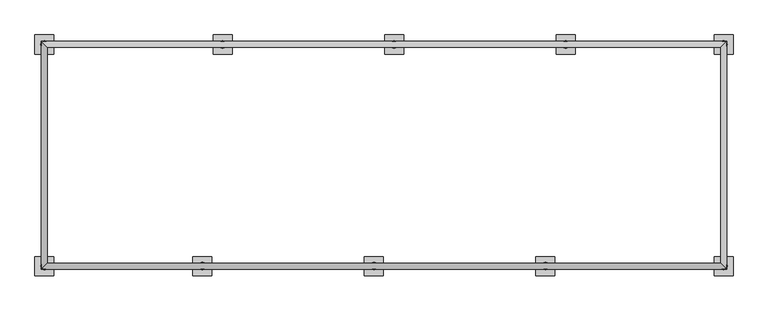
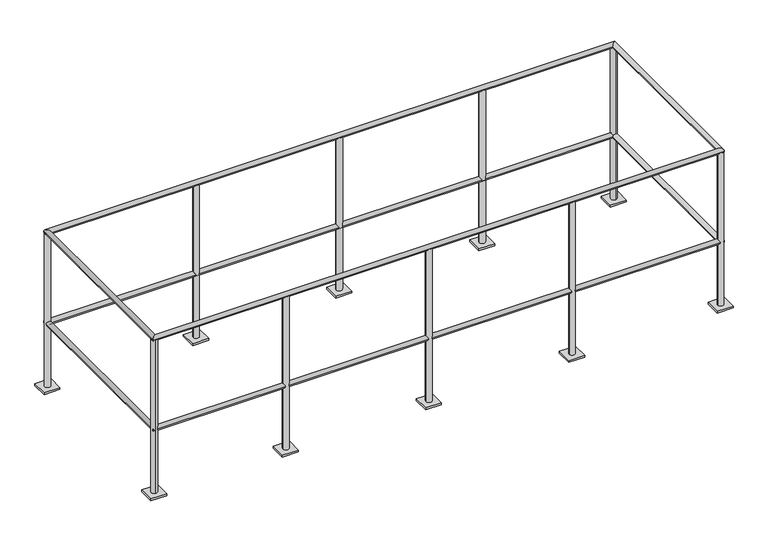
"""IFC4 building model written with IfcOpenShell, lengths in millimetres: railing geometry."""

from ifc_helpers import new_model, si_unit, point, frame, frame_2d, origin, origin_with_axes, place, context, project, spatial, polyline, circle_curve, ellipse_curve, trimmed, segment, composite_curve, outline, extrude, source, transform, mapped, element, save
from ifc_brep_helpers import cylinder_surface, advanced_brep


def railing_a2478803(model_context):
    return source(origin(), model_context, "Body", "SolidModel", [
        advanced_brep(
        [(-18743.3458618, -13652.4776485, 1050.925), (-18775.0958618, -13684.2276485, 1050.925), (-15123.8458618, -13684.2276485, 1050.925), (-15155.5958618, -13652.4776485, 1050.925), (-15123.8458618, -12471.3776485, 1050.925), (-15155.5958618, -12503.1276485, 1050.925), (-18775.0958618, -12471.3776485, 1050.925), (-18743.3458618, -12503.1276485, 1050.925)],
        [
            (0, 1, ellipse_curve(frame((-18759.2208618, -13668.3526485, 1050.925), z_axis=(0.7071067811865465, -0.7071067811865487, 0.0), x_axis=(-0.7071067811865485, -0.7071067811865466, 0.0)), 22.4506403, 15.875)),
            (1, 2),
            (2, 3, ellipse_curve(frame((-15139.7208618, -13668.3526485, 1050.925), z_axis=(-0.7071067811865486, -0.7071067811865464, 0.0), x_axis=(-0.7071067811865466, 0.7071067811865485, 0.0)), 22.4506403, 15.875)),
            (3, 0),
            (1, 0, ellipse_curve(frame((-18759.2208618, -13668.3526485, 1050.925), z_axis=(0.7071067811865465, -0.7071067811865487, 0.0), x_axis=(-0.7071067811865485, -0.7071067811865466, 0.0)), 22.4506403, 15.875)),
            (3, 2, ellipse_curve(frame((-15139.7208618, -13668.3526485, 1050.925), z_axis=(-0.7071067811865486, -0.7071067811865464, 0.0), x_axis=(-0.7071067811865466, 0.7071067811865485, 0.0)), 22.4506403, 15.875)),
            (2, 4),
            (4, 5, ellipse_curve(frame((-15139.7208618, -12487.2526485, 1050.925), z_axis=(0.7071067811865475, -0.7071067811865475, 0.0), x_axis=(-0.7071067811865474, -0.7071067811865476, 0.0)), 22.4506403, 15.875)),
            (5, 3),
            (5, 4, ellipse_curve(frame((-15139.7208618, -12487.2526485, 1050.925), z_axis=(0.7071067811865475, -0.7071067811865475, 0.0), x_axis=(-0.7071067811865474, -0.7071067811865476, 0.0)), 22.4506403, 15.875)),
            (4, 6),
            (6, 7, ellipse_curve(frame((-18759.2208618, -12487.2526485, 1050.925), z_axis=(0.7071067811865475, 0.7071067811865475, 0.0), x_axis=(0.7071067811865476, -0.7071067811865474, 0.0)), 22.4506403, 15.875)),
            (7, 5),
            (7, 6, ellipse_curve(frame((-18759.2208618, -12487.2526485, 1050.925), z_axis=(0.7071067811865475, 0.7071067811865475, 0.0), x_axis=(0.7071067811865476, -0.7071067811865474, 0.0)), 22.4506403, 15.875)),
            (6, 1),
            (0, 7),
        ],
        [
            cylinder_surface(frame((-18759.2208618, -13668.3526485, 1050.925), z_axis=(-1.0, 0.0, 0.0), x_axis=(0.0, 1.0, 0.0)), 15.875),
            cylinder_surface(frame((-15139.7208618, -13668.3526485, 1050.925), z_axis=(0.0, -1.0, 0.0), x_axis=(-1.0, 0.0, 0.0)), 15.875),
            cylinder_surface(frame((-15139.7208618, -12487.2526485, 1050.925), z_axis=(1.0, 0.0, 0.0), x_axis=(0.0, -1.0, 0.0)), 15.875),
            cylinder_surface(frame((-18759.2208618, -12487.2526485, 1050.925), z_axis=(0.0, 1.0, 0.0), x_axis=(1.0, 0.0, 0.0)), 15.875),
        ],
        [
            (0, [[1, 2, 3, 4]]),
            (0, [[5, -4, 6, -2]]),
            (1, [[-3, 7, 8, 9]]),
            (1, [[-6, -9, 10, -7]]),
            (2, [[-8, 11, 12, 13]]),
            (2, [[-10, -13, 14, -11]]),
            (3, [[-12, 15, -1, 16]]),
            (3, [[-14, -16, -5, -15]]),
        ],
    ),
        advanced_brep(
        [(-15155.5958618, -13652.4776485, 441.325), (-15123.8458618, -13684.2276485, 441.325), (-15123.8458618, -12471.3776485, 441.325), (-15155.5958618, -12503.1276485, 441.325), (-18775.0958618, -12471.3776485, 441.325), (-18743.3458618, -12503.1276485, 441.325), (-18775.0958618, -13684.2276485, 441.325), (-18743.3458618, -13652.4776485, 441.325)],
        [
            (0, 1, ellipse_curve(frame((-15139.7208618, -13668.3526485, 441.325), z_axis=(0.7071067811865486, 0.7071067811865464, 0.0), x_axis=(0.7071067811865464, -0.7071067811865488, 0.0)), 22.4506403, 15.875)),
            (1, 2),
            (2, 3, ellipse_curve(frame((-15139.7208618, -12487.2526485, 441.325), z_axis=(0.7071067811865475, -0.7071067811865475, 0.0), x_axis=(-0.7071067811865474, -0.7071067811865476, 0.0)), 22.4506403, 15.875)),
            (3, 0),
            (1, 0, ellipse_curve(frame((-15139.7208618, -13668.3526485, 441.325), z_axis=(0.7071067811865486, 0.7071067811865464, 0.0), x_axis=(0.7071067811865464, -0.7071067811865488, 0.0)), 22.4506403, 15.875)),
            (3, 2, ellipse_curve(frame((-15139.7208618, -12487.2526485, 441.325), z_axis=(0.7071067811865475, -0.7071067811865475, 0.0), x_axis=(-0.7071067811865474, -0.7071067811865476, 0.0)), 22.4506403, 15.875)),
            (2, 4),
            (4, 5, ellipse_curve(frame((-18759.2208618, -12487.2526485, 441.325), z_axis=(0.7071067811865475, 0.7071067811865475, 0.0), x_axis=(0.7071067811865476, -0.7071067811865474, 0.0)), 22.4506403, 15.875)),
            (5, 3),
            (5, 4, ellipse_curve(frame((-18759.2208618, -12487.2526485, 441.325), z_axis=(0.7071067811865475, 0.7071067811865475, 0.0), x_axis=(0.7071067811865476, -0.7071067811865474, 0.0)), 22.4506403, 15.875)),
            (4, 6),
            (6, 7, ellipse_curve(frame((-18759.2208618, -13668.3526485, 441.325), z_axis=(-0.7071067811865465, 0.7071067811865487, 0.0), x_axis=(0.7071067811865487, 0.7071067811865462, 0.0)), 22.4506403, 15.875)),
            (7, 5),
            (7, 6, ellipse_curve(frame((-18759.2208618, -13668.3526485, 441.325), z_axis=(-0.7071067811865465, 0.7071067811865487, 0.0), x_axis=(0.7071067811865487, 0.7071067811865462, 0.0)), 22.4506403, 15.875)),
            (6, 1),
            (0, 7),
        ],
        [
            cylinder_surface(frame((-15139.7208618, -13668.3526485, 441.325), z_axis=(0.0, -1.0, 0.0), x_axis=(-1.0, 0.0, 0.0)), 15.875),
            cylinder_surface(frame((-15139.7208618, -12487.2526485, 441.325), z_axis=(1.0, 0.0, 0.0), x_axis=(0.0, -1.0, 0.0)), 15.875),
            cylinder_surface(frame((-18759.2208618, -12487.2526485, 441.325), z_axis=(0.0, 1.0, 0.0), x_axis=(1.0, 0.0, 0.0)), 15.875),
            cylinder_surface(frame((-18759.2208618, -13668.3526485, 441.325), z_axis=(-1.0, 0.0, 0.0), x_axis=(0.0, 1.0, 0.0)), 15.875),
        ],
        [
            (0, [[1, 2, 3, 4]]),
            (0, [[5, -4, 6, -2]]),
            (1, [[-3, 7, 8, 9]]),
            (1, [[-6, -9, 10, -7]]),
            (2, [[-8, 11, 12, 13]]),
            (2, [[-10, -13, 14, -11]]),
            (3, [[-12, 15, -1, 16]]),
            (3, [[-14, -16, -5, -15]]),
        ],
    ),
        extrude(outline(composite_curve([segment(trimmed(circle_curve(frame_2d((-16089.0105971, -13668.3526485)), 19.05), [point((-16108.0605971, -13668.3526485))], [point((-16069.9605971, -13668.3526485))], False, "CARTESIAN"), True, "CONTINUOUS"), segment(trimmed(circle_curve(frame_2d((-16089.0105971, -13668.3526485)), 19.05), [point((-16069.9605971, -13668.3526485))], [point((-16108.0605971, -13668.3526485))], False, "CARTESIAN"), True, "CONTINUOUS")], self_intersect=False), holes=[composite_curve([segment(trimmed(circle_curve(frame_2d((-16089.0105971, -13668.3526485)), 14.2875), [point((-16103.2980971, -13668.3526485))], [point((-16074.7230971, -13668.3526485))], True, "CARTESIAN"), True, "CONTINUOUS"), segment(trimmed(circle_curve(frame_2d((-16089.0105971, -13668.3526485)), 14.2875), [point((-16074.7230971, -13668.3526485))], [point((-16103.2980971, -13668.3526485))], True, "CARTESIAN"), True, "CONTINUOUS")], self_intersect=False)]), frame((0.0, 0.0, 12.7), z_axis=(0.0, 0.0, 1.0), x_axis=(1.0, 0.0, 0.0)), (0.0, 0.0, 1.0), 1035.05),
        extrude(outline(polyline([(-16038.2105971, -13617.5526485), (-16038.2105971, -13719.1526485), (-16139.8105971, -13719.1526485), (-16139.8105971, -13617.5526485), (-16038.2105971, -13617.5526485)])), origin_with_axes(), (0.0, 0.0, 1.0), 12.7),
        extrude(outline(composite_curve([segment(trimmed(circle_curve(frame_2d((-17003.4105971, -13668.3526485)), 19.05), [point((-17022.4605971, -13668.3526485))], [point((-16984.3605971, -13668.3526485))], False, "CARTESIAN"), True, "CONTINUOUS"), segment(trimmed(circle_curve(frame_2d((-17003.4105971, -13668.3526485)), 19.05), [point((-16984.3605971, -13668.3526485))], [point((-17022.4605971, -13668.3526485))], False, "CARTESIAN"), True, "CONTINUOUS")], self_intersect=False), holes=[composite_curve([segment(trimmed(circle_curve(frame_2d((-17003.4105971, -13668.3526485)), 14.2875), [point((-17017.6980971, -13668.3526485))], [point((-16989.1230971, -13668.3526485))], True, "CARTESIAN"), True, "CONTINUOUS"), segment(trimmed(circle_curve(frame_2d((-17003.4105971, -13668.3526485)), 14.2875), [point((-16989.1230971, -13668.3526485))], [point((-17017.6980971, -13668.3526485))], True, "CARTESIAN"), True, "CONTINUOUS")], self_intersect=False)]), frame((0.0, 0.0, 12.7), z_axis=(0.0, 0.0, 1.0), x_axis=(1.0, 0.0, 0.0)), (0.0, 0.0, 1.0), 1035.05),
        extrude(outline(polyline([(-16952.6105971, -13617.5526485), (-16952.6105971, -13719.1526485), (-17054.2105971, -13719.1526485), (-17054.2105971, -13617.5526485), (-16952.6105971, -13617.5526485)])), origin_with_axes(), (0.0, 0.0, 1.0), 12.7),
        extrude(outline(composite_curve([segment(trimmed(circle_curve(frame_2d((-17917.8105971, -13668.3526485)), 19.05), [point((-17936.8605971, -13668.3526485))], [point((-17898.7605971, -13668.3526485))], False, "CARTESIAN"), True, "CONTINUOUS"), segment(trimmed(circle_curve(frame_2d((-17917.8105971, -13668.3526485)), 19.05), [point((-17898.7605971, -13668.3526485))], [point((-17936.8605971, -13668.3526485))], False, "CARTESIAN"), True, "CONTINUOUS")], self_intersect=False), holes=[composite_curve([segment(trimmed(circle_curve(frame_2d((-17917.8105971, -13668.3526485)), 14.2875), [point((-17932.0980971, -13668.3526485))], [point((-17903.5230971, -13668.3526485))], True, "CARTESIAN"), True, "CONTINUOUS"), segment(trimmed(circle_curve(frame_2d((-17917.8105971, -13668.3526485)), 14.2875), [point((-17903.5230971, -13668.3526485))], [point((-17932.0980971, -13668.3526485))], True, "CARTESIAN"), True, "CONTINUOUS")], self_intersect=False)]), frame((0.0, 0.0, 12.7), z_axis=(0.0, 0.0, 1.0), x_axis=(1.0, 0.0, 0.0)), (0.0, 0.0, 1.0), 1035.05),
        extrude(outline(polyline([(-17867.0105971, -13617.5526485), (-17867.0105971, -13719.1526485), (-17968.6105971, -13719.1526485), (-17968.6105971, -13617.5526485), (-17867.0105971, -13617.5526485)])), origin_with_axes(), (0.0, 0.0, 1.0), 12.7),
        extrude(outline(composite_curve([segment(trimmed(circle_curve(frame_2d((-17809.9311266, -12487.2526485)), 19.05), [point((-17790.8811266, -12487.2526485))], [point((-17828.9811266, -12487.2526485))], False, "CARTESIAN"), True, "CONTINUOUS"), segment(trimmed(circle_curve(frame_2d((-17809.9311266, -12487.2526485)), 19.05), [point((-17828.9811266, -12487.2526485))], [point((-17790.8811266, -12487.2526485))], False, "CARTESIAN"), True, "CONTINUOUS")], self_intersect=False), holes=[composite_curve([segment(trimmed(circle_curve(frame_2d((-17809.9311266, -12487.2526485)), 14.2875), [point((-17795.6436266, -12487.2526485))], [point((-17824.2186266, -12487.2526485))], True, "CARTESIAN"), True, "CONTINUOUS"), segment(trimmed(circle_curve(frame_2d((-17809.9311266, -12487.2526485)), 14.2875), [point((-17824.2186266, -12487.2526485))], [point((-17795.6436266, -12487.2526485))], True, "CARTESIAN"), True, "CONTINUOUS")], self_intersect=False)]), frame((0.0, 0.0, 12.7), z_axis=(0.0, 0.0, 1.0), x_axis=(1.0, 0.0, 0.0)), (0.0, 0.0, 1.0), 1035.05),
        extrude(outline(polyline([(-17860.7311266, -12538.0526485), (-17860.7311266, -12436.4526485), (-17759.1311266, -12436.4526485), (-17759.1311266, -12538.0526485), (-17860.7311266, -12538.0526485)])), origin_with_axes(), (0.0, 0.0, 1.0), 12.7),
        extrude(outline(composite_curve([segment(trimmed(circle_curve(frame_2d((-16895.5311266, -12487.2526485)), 19.05), [point((-16876.4811266, -12487.2526485))], [point((-16914.5811266, -12487.2526485))], False, "CARTESIAN"), True, "CONTINUOUS"), segment(trimmed(circle_curve(frame_2d((-16895.5311266, -12487.2526485)), 19.05), [point((-16914.5811266, -12487.2526485))], [point((-16876.4811266, -12487.2526485))], False, "CARTESIAN"), True, "CONTINUOUS")], self_intersect=False), holes=[composite_curve([segment(trimmed(circle_curve(frame_2d((-16895.5311266, -12487.2526485)), 14.2875), [point((-16881.2436266, -12487.2526485))], [point((-16909.8186266, -12487.2526485))], True, "CARTESIAN"), True, "CONTINUOUS"), segment(trimmed(circle_curve(frame_2d((-16895.5311266, -12487.2526485)), 14.2875), [point((-16909.8186266, -12487.2526485))], [point((-16881.2436266, -12487.2526485))], True, "CARTESIAN"), True, "CONTINUOUS")], self_intersect=False)]), frame((0.0, 0.0, 12.7), z_axis=(0.0, 0.0, 1.0), x_axis=(1.0, 0.0, 0.0)), (0.0, 0.0, 1.0), 1035.05),
        extrude(outline(polyline([(-16946.3311266, -12538.0526485), (-16946.3311266, -12436.4526485), (-16844.7311266, -12436.4526485), (-16844.7311266, -12538.0526485), (-16946.3311266, -12538.0526485)])), origin_with_axes(), (0.0, 0.0, 1.0), 12.7),
        extrude(outline(composite_curve([segment(trimmed(circle_curve(frame_2d((-15981.1311266, -12487.2526485)), 19.05), [point((-15962.0811266, -12487.2526485))], [point((-16000.1811266, -12487.2526485))], False, "CARTESIAN"), True, "CONTINUOUS"), segment(trimmed(circle_curve(frame_2d((-15981.1311266, -12487.2526485)), 19.05), [point((-16000.1811266, -12487.2526485))], [point((-15962.0811266, -12487.2526485))], False, "CARTESIAN"), True, "CONTINUOUS")], self_intersect=False), holes=[composite_curve([segment(trimmed(circle_curve(frame_2d((-15981.1311266, -12487.2526485)), 14.2875), [point((-15966.8436266, -12487.2526485))], [point((-15995.4186266, -12487.2526485))], True, "CARTESIAN"), True, "CONTINUOUS"), segment(trimmed(circle_curve(frame_2d((-15981.1311266, -12487.2526485)), 14.2875), [point((-15995.4186266, -12487.2526485))], [point((-15966.8436266, -12487.2526485))], True, "CARTESIAN"), True, "CONTINUOUS")], self_intersect=False)]), frame((0.0, 0.0, 12.7), z_axis=(0.0, 0.0, 1.0), x_axis=(1.0, 0.0, 0.0)), (0.0, 0.0, 1.0), 1035.05),
        extrude(outline(polyline([(-16031.9311266, -12538.0526485), (-16031.9311266, -12436.4526485), (-15930.3311266, -12436.4526485), (-15930.3311266, -12538.0526485), (-16031.9311266, -12538.0526485)])), origin_with_axes(), (0.0, 0.0, 1.0), 12.7),
        extrude(outline(composite_curve([segment(trimmed(circle_curve(frame_2d((-15139.6855971, -13668.3526485)), 19.05), [point((-15158.7355971, -13668.3526485))], [point((-15120.6355971, -13668.3526485))], False, "CARTESIAN"), True, "CONTINUOUS"), segment(trimmed(circle_curve(frame_2d((-15139.6855971, -13668.3526485)), 19.05), [point((-15120.6355971, -13668.3526485))], [point((-15158.7355971, -13668.3526485))], False, "CARTESIAN"), True, "CONTINUOUS")], self_intersect=False), holes=[composite_curve([segment(trimmed(circle_curve(frame_2d((-15139.6855971, -13668.3526485)), 14.2875), [point((-15153.9730971, -13668.3526485))], [point((-15125.3980971, -13668.3526485))], True, "CARTESIAN"), True, "CONTINUOUS"), segment(trimmed(circle_curve(frame_2d((-15139.6855971, -13668.3526485)), 14.2875), [point((-15125.3980971, -13668.3526485))], [point((-15153.9730971, -13668.3526485))], True, "CARTESIAN"), True, "CONTINUOUS")], self_intersect=False)]), frame((0.0, 0.0, 12.7), z_axis=(0.0, 0.0, 1.0), x_axis=(1.0, 0.0, 0.0)), (0.0, 0.0, 1.0), 1035.05),
        extrude(outline(polyline([(-15088.8855971, -13617.5526485), (-15088.8855971, -13719.1526485), (-15190.4855971, -13719.1526485), (-15190.4855971, -13617.5526485), (-15088.8855971, -13617.5526485)])), origin_with_axes(), (0.0, 0.0, 1.0), 12.7),
        extrude(outline(composite_curve([segment(trimmed(circle_curve(frame_2d((-18759.2208618, -13668.3879132)), 19.05), [point((-18759.2208618, -13649.3379132))], [point((-18759.2208618, -13687.4379132))], False, "CARTESIAN"), True, "CONTINUOUS"), segment(trimmed(circle_curve(frame_2d((-18759.2208618, -13668.3879132)), 19.05), [point((-18759.2208618, -13687.4379132))], [point((-18759.2208618, -13649.3379132))], False, "CARTESIAN"), True, "CONTINUOUS")], self_intersect=False), holes=[composite_curve([segment(trimmed(circle_curve(frame_2d((-18759.2208618, -13668.3879132)), 14.2875), [point((-18759.2208618, -13654.1004132))], [point((-18759.2208618, -13682.6754132))], True, "CARTESIAN"), True, "CONTINUOUS"), segment(trimmed(circle_curve(frame_2d((-18759.2208618, -13668.3879132)), 14.2875), [point((-18759.2208618, -13682.6754132))], [point((-18759.2208618, -13654.1004132))], True, "CARTESIAN"), True, "CONTINUOUS")], self_intersect=False)]), frame((0.0, 0.0, 12.7), z_axis=(0.0, 0.0, 1.0), x_axis=(1.0, 0.0, 0.0)), (0.0, 0.0, 1.0), 1035.05),
        extrude(outline(polyline([(-18708.4208618, -13719.1879132), (-18810.0208618, -13719.1879132), (-18810.0208618, -13617.5879132), (-18708.4208618, -13617.5879132), (-18708.4208618, -13719.1879132)])), origin_with_axes(), (0.0, 0.0, 1.0), 12.7),
        extrude(outline(composite_curve([segment(trimmed(circle_curve(frame_2d((-18759.2561266, -12487.2526485)), 19.05), [point((-18740.2061266, -12487.2526485))], [point((-18778.3061266, -12487.2526485))], False, "CARTESIAN"), True, "CONTINUOUS"), segment(trimmed(circle_curve(frame_2d((-18759.2561266, -12487.2526485)), 19.05), [point((-18778.3061266, -12487.2526485))], [point((-18740.2061266, -12487.2526485))], False, "CARTESIAN"), True, "CONTINUOUS")], self_intersect=False), holes=[composite_curve([segment(trimmed(circle_curve(frame_2d((-18759.2561266, -12487.2526485)), 14.2875), [point((-18744.9686266, -12487.2526485))], [point((-18773.5436266, -12487.2526485))], True, "CARTESIAN"), True, "CONTINUOUS"), segment(trimmed(circle_curve(frame_2d((-18759.2561266, -12487.2526485)), 14.2875), [point((-18773.5436266, -12487.2526485))], [point((-18744.9686266, -12487.2526485))], True, "CARTESIAN"), True, "CONTINUOUS")], self_intersect=False)]), frame((0.0, 0.0, 12.7), z_axis=(0.0, 0.0, 1.0), x_axis=(1.0, 0.0, 0.0)), (0.0, 0.0, 1.0), 1035.05),
        extrude(outline(polyline([(-18810.0561266, -12538.0526485), (-18810.0561266, -12436.4526485), (-18708.4561266, -12436.4526485), (-18708.4561266, -12538.0526485), (-18810.0561266, -12538.0526485)])), origin_with_axes(), (0.0, 0.0, 1.0), 12.7),
        extrude(outline(composite_curve([segment(trimmed(circle_curve(frame_2d((-15139.7208618, -12487.2173838)), 19.05), [point((-15139.7208618, -12506.2673838))], [point((-15139.7208618, -12468.1673838))], False, "CARTESIAN"), True, "CONTINUOUS"), segment(trimmed(circle_curve(frame_2d((-15139.7208618, -12487.2173838)), 19.05), [point((-15139.7208618, -12468.1673838))], [point((-15139.7208618, -12506.2673838))], False, "CARTESIAN"), True, "CONTINUOUS")], self_intersect=False), holes=[composite_curve([segment(trimmed(circle_curve(frame_2d((-15139.7208618, -12487.2173838)), 14.2875), [point((-15139.7208618, -12501.5048838))], [point((-15139.7208618, -12472.9298838))], True, "CARTESIAN"), True, "CONTINUOUS"), segment(trimmed(circle_curve(frame_2d((-15139.7208618, -12487.2173838)), 14.2875), [point((-15139.7208618, -12472.9298838))], [point((-15139.7208618, -12501.5048838))], True, "CARTESIAN"), True, "CONTINUOUS")], self_intersect=False)]), frame((0.0, 0.0, 12.7), z_axis=(0.0, 0.0, 1.0), x_axis=(1.0, 0.0, 0.0)), (0.0, 0.0, 1.0), 1035.05),
        extrude(outline(polyline([(-15190.5208618, -12436.4173838), (-15088.9208618, -12436.4173838), (-15088.9208618, -12538.0173838), (-15190.5208618, -12538.0173838), (-15190.5208618, -12436.4173838)])), origin_with_axes(), (0.0, 0.0, 1.0), 12.7),
    ])


if __name__ == "__main__":
    model = new_model("IFC4")
    model_context = context("Model", 3, world=origin())
    ifc_project = project(units=[si_unit("LENGTHUNIT", "METRE", prefix="MILLI")], contexts=[model_context])
    site = spatial("IfcSite", under=ifc_project)
    building = spatial("IfcBuilding", under=site)
    placement = place(None, origin())
    railing_shape = railing_a2478803(model_context)
    element("IfcRailing", 1, at=placement, inside=building, context=model_context, shape_type="MappedRepresentation", body=[
        mapped(railing_shape, transform((0.0, 0.0, 0.0), x_axis=(1.0, 0.0, 0.0), y_axis=(0.0, 1.0, 0.0), z_axis=(0.0, 0.0, 1.0))),
    ])
    save(model, "model.ifc")
